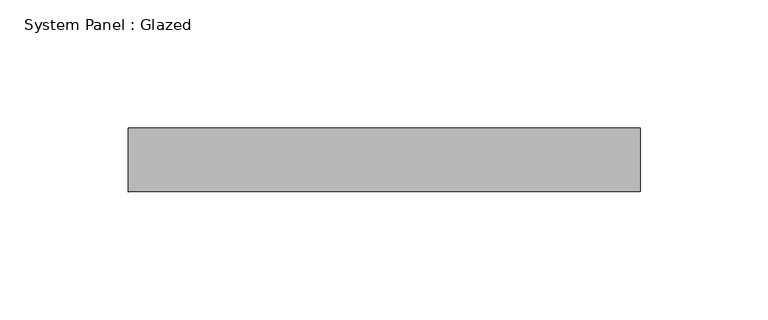
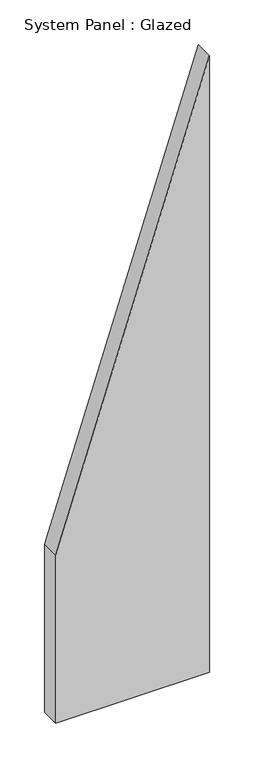
"""IFC4 building model written with IfcOpenShell, lengths in millimetres: plate geometry, System Panel : Glazed."""

from ifc_helpers import new_model, si_unit, frame, origin, place, context, project, spatial, polyline, outline, extrude, source, transform, mapped, element, save


def system_panel_glazed_fc381989(model_context):
    return source(origin(), model_context, "Body", "SweptSolid", [
        extrude(outline(polyline([(0.0, -100.0), (0.0, 100.0), (846.1538471, 100.0), (230.7692317, -100.0), (0.0, -100.0)])), frame((0.0, 24.5, 0.0), z_axis=(0.0, 1.0, 0.0), x_axis=(0.0, 0.0, 1.0)), (0.0, 0.0, 1.0), 25.0),
    ])


if __name__ == "__main__":
    model = new_model("IFC4")
    model_context = context("Model", 3, world=origin())
    ifc_project = project(units=[si_unit("LENGTHUNIT", "METRE", prefix="MILLI")], contexts=[model_context])
    site = spatial("IfcSite", under=ifc_project)
    building = spatial("IfcBuilding", under=site)
    placement = place(None, origin())
    system_panel_glazed_shape = system_panel_glazed_fc381989(model_context)
    element("IfcPlate", 1, ObjectType="System Panel : Glazed", at=placement, inside=building, context=model_context, shape_type="MappedRepresentation", body=[
        mapped(system_panel_glazed_shape, transform((0.0, 0.0, 0.0), x_axis=(1.0, 0.0, 0.0), y_axis=(0.0, 1.0, 0.0), z_axis=(0.0, 0.0, 1.0))),
    ])
    save(model, "model.ifc")
